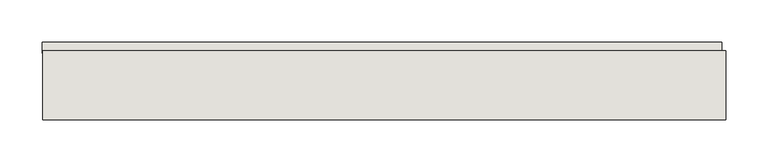
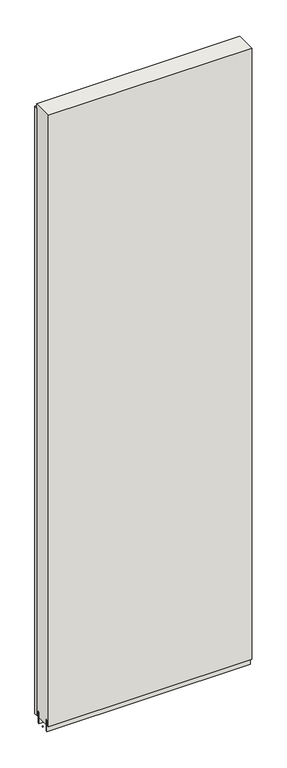
"""IFC4 building model written with IfcOpenShell, lengths in millimetres: wall geometry."""

from ifc_helpers import new_model, si_unit, frame, origin, place, context, project, spatial, polyline, outline, extrude, source, transform, mapped, element, save


def wall_1727dad5(model_context):
    return source(origin(), model_context, "Body", "SweptSolid", [
        extrude(outline(polyline([(67956.6594382, -39414.4636398), (67959.1994382, -39414.4636398), (67959.1994382, -39417.0036398), (67956.6594382, -39417.0036398), (67956.6594382, -39414.4636398)])), frame((0.0, 0.0, 4419.6), z_axis=(0.0, 0.0, 1.0), x_axis=(1.0, 0.0, 0.0)), (0.0, 0.0, 1.0), 2.54),
        extrude(outline(polyline([(67956.1891953, -39364.9336398), (68758.3930519, -39364.9336398), (68758.3930519, -39377.6336398), (67956.1891953, -39377.6336398), (67956.1891953, -39364.9336398)])), frame((0.0, 0.0, 4445.0), z_axis=(0.0, 0.0, 1.0), x_axis=(1.0, 0.0, 0.0)), (0.0, 0.0, 1.0), 2545.0498756),
        extrude(outline(polyline([(67956.6581936, -39440.8142856), (68762.853965, -39440.8142856), (68762.853965, -39445.8961398), (67956.6581936, -39445.8961398), (67956.6581936, -39440.8142856)])), frame((0.0, 0.0, 4418.6602), z_axis=(0.0, 0.0, 1.0), x_axis=(1.0, 0.0, 0.0)), (0.0, 0.0, 1.0), 47.625),
        extrude(outline(polyline([(67956.6581936, -39440.8142856), (68762.853965, -39440.8142856), (68762.853965, -39445.8961398), (67956.6581936, -39445.8961398), (67956.6581936, -39440.8142856)])), frame((0.0, 0.0, 4418.6602), z_axis=(0.0, 0.0, 1.0), x_axis=(1.0, 0.0, 0.0)), (0.0, 0.0, 1.0), 47.625),
        extrude(outline(polyline([(68762.853965, -39390.6498952), (67956.6581936, -39390.6498952), (67956.6581936, -39385.5711398), (68762.853965, -39385.5711398), (68762.853965, -39390.6498952)])), frame((0.0, 0.0, 4418.6602), z_axis=(0.0, 0.0, 1.0), x_axis=(1.0, 0.0, 0.0)), (0.0, 0.0, 1.0), 47.625),
        extrude(outline(polyline([(68762.853965, -39390.6498952), (67956.6581936, -39390.6498952), (67956.6581936, -39385.5711398), (68762.853965, -39385.5711398), (68762.853965, -39390.6498952)])), frame((0.0, 0.0, 4418.6602), z_axis=(0.0, 0.0, 1.0), x_axis=(1.0, 0.0, 0.0)), (0.0, 0.0, 1.0), 47.625),
        extrude(outline(polyline([(67956.6581936, -39456.3854254), (67956.6581936, -39375.10667), (68762.853965, -39375.10667), (68762.853965, -39456.3854254), (67956.6581936, -39456.3854254)])), frame((0.0, 0.0, 4445.0), z_axis=(0.0, 0.0, 1.0), x_axis=(1.0, 0.0, 0.0)), (0.0, 0.0, 1.0), 2562.4536762),
    ])


if __name__ == "__main__":
    model = new_model("IFC4")
    model_context = context("Model", 3, world=origin())
    ifc_project = project(units=[si_unit("LENGTHUNIT", "METRE", prefix="MILLI")], contexts=[model_context])
    site = spatial("IfcSite", under=ifc_project)
    building = spatial("IfcBuilding", under=site)
    placement = place(None, origin())
    wall_shape = wall_1727dad5(model_context)
    element("IfcWall", 1, at=placement, inside=building, context=model_context, shape_type="MappedRepresentation", body=[
        mapped(wall_shape, transform((0.0, 0.0, 0.0), x_axis=(1.0, 0.0, 0.0), y_axis=(0.0, 1.0, 0.0), z_axis=(0.0, 0.0, 1.0))),
    ])
    save(model, "model.ifc")
